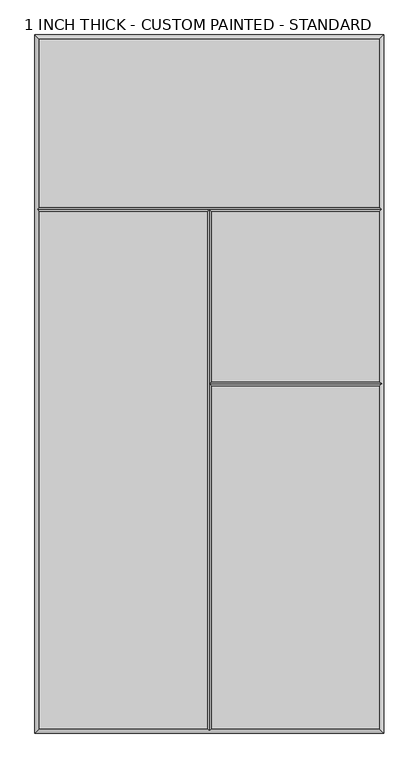
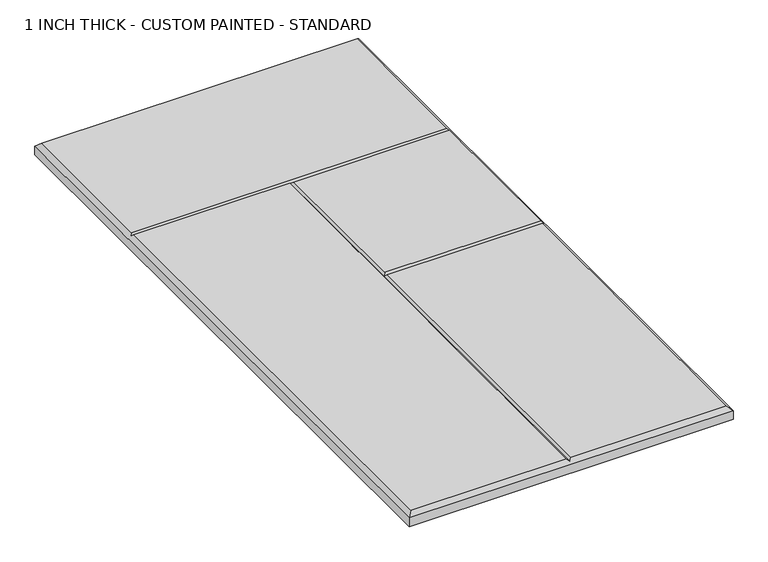
"""IFC4 building model written with IfcOpenShell, lengths in millimetres: proxy geometry, 1 INCH THICK - CUSTOM PAINTED - STANDARD."""

from ifc_helpers import new_model, si_unit, origin, place, context, project, spatial, faceted_brep, source, transform, mapped, element, save


def proxy_1_inch_thick_custom_painted_standard_38483d09(model_context):
    return source(origin(), model_context, "Body", "Brep", [
        faceted_brep([(296.799, 601.599, 25.4), (-296.799, 601.599, 25.4), (-296.799, 308.8005, 25.4), (296.799, 308.8005, 25.4), (-296.799, 300.7995, 25.4), (-296.799, -601.599, 25.4), (-4.0005, -601.599, 25.4), (-4.0005, 300.7995, 25.4), (4.0005, -601.599, 25.4), (296.799, -601.599, 25.4), (296.799, -4.0005, 25.4), (4.0005, -4.0005, 25.4), (296.799, 300.7995, 25.4), (4.0005, 300.7995, 25.4), (4.0005, 4.0005, 25.4), (296.799, 4.0005, 25.4), (-304.8, 609.6, 0.0), (304.8, 609.6, 0.0), (304.8, -609.6, 0.0), (-304.8, -609.6, 0.0), (-304.8, -609.6, 17.399), (-304.8, 609.6, 17.399), (304.8, -609.6, 17.399), (304.8, 609.6, 17.399), (-300.7995, 304.8, 21.3995), (0.0, -605.5995, 21.3995), (300.7995, 304.8, 21.3995), (300.7995, 0.0, 21.3995), (0.0, 304.8, 21.3995), (0.0, 0.0, 21.3995)], [[[0, 1, 2, 3]], [[4, 5, 6, 7]], [[8, 9, 10, 11]], [[12, 13, 14, 15]], [[16, 17, 18, 19]], [[16, 19, 20, 21]], [[19, 18, 22, 20]], [[18, 17, 23, 22]], [[17, 16, 21, 23]], [[21, 1, 0, 23]], [[1, 21, 20, 5, 4, 24, 2]], [[5, 20, 22, 9, 8, 25, 6]], [[23, 0, 3, 26, 12, 15, 27, 10, 9, 22]], [[24, 4, 7, 28]], [[12, 26, 28, 13]], [[3, 2, 24, 28, 26]], [[25, 8, 11, 29]], [[13, 28, 29, 14]], [[7, 6, 25, 29, 28]], [[27, 29, 11, 10]], [[29, 27, 15, 14]]]),
    ])


if __name__ == "__main__":
    model = new_model("IFC4")
    model_context = context("Model", 3, world=origin())
    ifc_project = project(units=[si_unit("LENGTHUNIT", "METRE", prefix="MILLI")], contexts=[model_context])
    site = spatial("IfcSite", under=ifc_project)
    building = spatial("IfcBuilding", under=site)
    placement = place(None, origin())
    proxy_1_inch_thick_custom_painted_standard_shape = proxy_1_inch_thick_custom_painted_standard_38483d09(model_context)
    element("IfcBuildingElementProxy", 1, Name="1 INCH THICK - CUSTOM PAINTED - STANDARD", ObjectType="1 INCH THICK - CUSTOM PAINTED - STANDARD", at=placement, inside=building, context=model_context, shape_type="MappedRepresentation", body=[
        mapped(proxy_1_inch_thick_custom_painted_standard_shape, transform((0.0, 0.0, 0.0), x_axis=(1.0, 0.0, 0.0), y_axis=(0.0, 1.0, 0.0), z_axis=(0.0, 0.0, 1.0))),
    ])
    save(model, "model.ifc")
